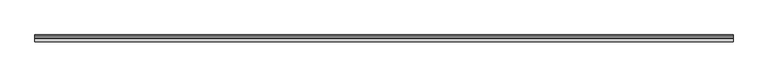
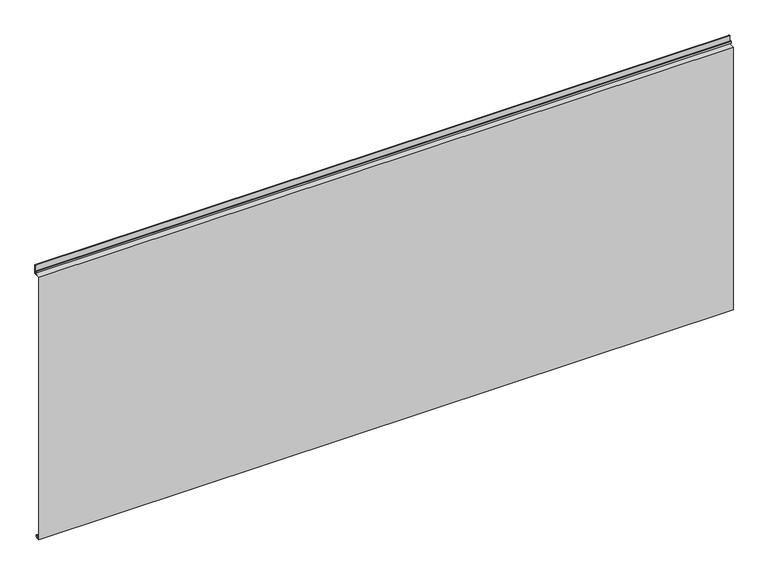
"""IFC4 building model written with IfcOpenShell, lengths in millimetres: proxy geometry."""

from ifc_helpers import new_model, si_unit, point, frame, frame_2d, origin, place, context, project, spatial, polyline, circle_curve, trimmed, segment, composite_curve, outline, extrude, source, transform, mapped, element, save


def generic_models_8fd74136(model_context):
    return source(origin(), model_context, "Body", "SweptSolid", [
        extrude(outline(composite_curve([segment(polyline([(-39.37, 0.0), (-39.37, 1524.0), (-3.3274744, 1524.0000001), (-3.3274744, 1571.1932001)]), True, "CONTINUOUS"), segment(trimmed(circle_curve(frame_2d((-3.7084743, 1571.1932001)), 0.3809999), [point((-3.3274744, 1571.1932001))], [point((-4.0894742, 1571.1932001))], True, "CARTESIAN"), True, "CONTINUOUS"), segment(polyline([(-4.0894742, 1571.1932001), (-4.0894742, 1536.7), (-20.4864743, 1536.7), (-20.4864743, 1548.0538), (-19.2164744, 1548.0538), (-19.2164744, 1537.97), (-5.3594742, 1537.97), (-5.3594742, 1571.1932001)]), True, "CONTINUOUS"), segment(trimmed(circle_curve(frame_2d((-3.7084743, 1571.1932001)), 1.6509999), [point((-5.3594742, 1571.1932001))], [point((-2.0574744, 1571.1932001))], False, "CARTESIAN"), True, "CONTINUOUS"), segment(polyline([(-2.0574744, 1571.1932001), (-2.0574744, 1522.73), (-38.1000002, 1522.73), (-38.1000001, 1.2693678), (-23.0264743, 1.2693678), (-23.0264743, 13.124237)]), True, "CONTINUOUS"), segment(trimmed(circle_curve(frame_2d((-19.8514743, 13.124237)), 3.175), [point((-23.0264743, 13.124237))], [point((-16.6765477, 13.1458337))], False, "CARTESIAN"), True, "CONTINUOUS"), segment(polyline([(-16.6765477, 13.1458337), (-16.6765477, 2.786437), (-17.9464915, 2.786437), (-17.9464915, 13.1323356)]), True, "CONTINUOUS"), segment(trimmed(circle_curve(frame_2d((-19.8514743, 13.124237)), 1.905), [point((-17.9464915, 13.1323356))], [point((-21.7564743, 13.124237))], True, "CARTESIAN"), True, "CONTINUOUS"), segment(polyline([(-21.7564743, 13.124237), (-21.7564743, 0.0), (-39.37, 0.0)]), True, "CONTINUOUS")], self_intersect=False)), frame((-1905.0, 0.0, 0.0), z_axis=(1.0, 0.0, 0.0), x_axis=(0.0, 1.0, 0.0)), (0.0, 0.0, 1.0), 3810.0),
    ])


if __name__ == "__main__":
    model = new_model("IFC4")
    model_context = context("Model", 3, world=origin())
    ifc_project = project(units=[si_unit("LENGTHUNIT", "METRE", prefix="MILLI")], contexts=[model_context])
    site = spatial("IfcSite", under=ifc_project)
    building = spatial("IfcBuilding", under=site)
    placement = place(None, origin())
    generic_models_shape = generic_models_8fd74136(model_context)
    element("IfcBuildingElementProxy", 1, Name="Generic Models", at=placement, inside=building, context=model_context, shape_type="MappedRepresentation", body=[
        mapped(generic_models_shape, transform((0.0, 0.0, 0.0), x_axis=(1.0, 0.0, 0.0), y_axis=(0.0, 1.0, 0.0), z_axis=(0.0, 0.0, 1.0))),
    ])
    save(model, "model.ifc")
